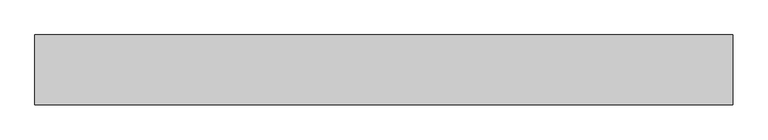
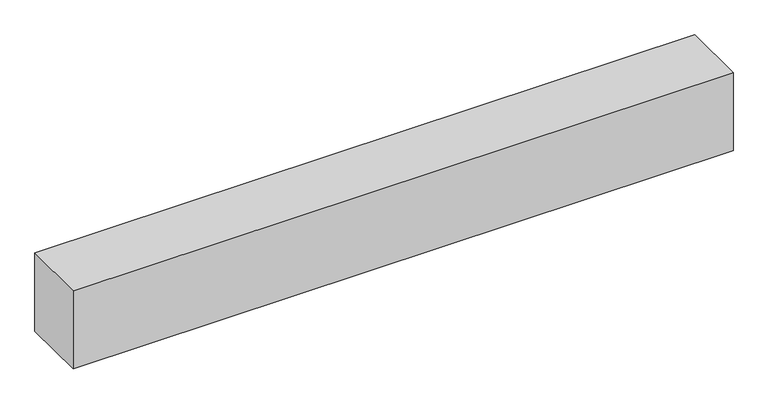
"""IFC4 building model written with IfcOpenShell, lengths in millimetres: beam geometry."""

from ifc_helpers import new_model, si_unit, origin, origin_with_axes, place, context, project, spatial, polyline, outline, extrude, source, transform, mapped, element, save


def beam_d53e001a(model_context):
    return source(origin(), model_context, "Body", "SweptSolid", [
        extrude(outline(polyline([(1000.0, 100.0), (1000.0, -100.0), (-1000.0, -100.0), (-1000.0, 100.0), (1000.0, 100.0)])), origin_with_axes(), (0.0, 0.0, 1.0), 250.0),
    ])


if __name__ == "__main__":
    model = new_model("IFC4")
    model_context = context("Model", 3, world=origin())
    ifc_project = project(units=[si_unit("LENGTHUNIT", "METRE", prefix="MILLI")], contexts=[model_context])
    site = spatial("IfcSite", under=ifc_project)
    building = spatial("IfcBuilding", under=site)
    placement = place(None, origin())
    beam_shape = beam_d53e001a(model_context)
    element("IfcBeam", 1, at=placement, inside=building, context=model_context, shape_type="MappedRepresentation", body=[
        mapped(beam_shape, transform((0.0, 0.0, 0.0), x_axis=(1.0, 0.0, 0.0), y_axis=(0.0, 1.0, 0.0), z_axis=(0.0, 0.0, 1.0))),
    ])
    save(model, "model.ifc")
